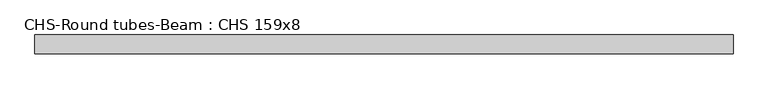
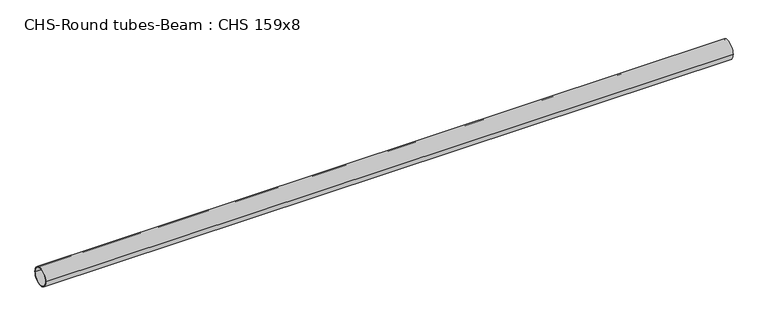
"""IFC4 building model written with IfcOpenShell, lengths in millimetres: beam geometry, CHS-Round tubes-Beam : CHS 159x8."""

from ifc_helpers import new_model, si_unit, point, frame, origin, origin_2d, place, context, project, spatial, circle_curve, trimmed, segment, composite_curve, outline, extrude, source, transform, mapped, element, save


def chs_round_tubes_beam_chs_159x8_6e215bc9(model_context):
    return source(origin(), model_context, "Body", "SweptSolid", [
        extrude(outline(composite_curve([segment(trimmed(circle_curve(origin_2d(), 79.5), [point((79.5, 0.0))], [point((-79.5, 0.0))], False, "CARTESIAN"), True, "CONTINUOUS"), segment(trimmed(circle_curve(origin_2d(), 79.5), [point((-79.5, 0.0))], [point((79.5, 0.0))], False, "CARTESIAN"), True, "CONTINUOUS")], self_intersect=False), holes=[composite_curve([segment(trimmed(circle_curve(origin_2d(), 71.5), [point((71.5, 0.0))], [point((-71.5, 0.0))], True, "CARTESIAN"), True, "CONTINUOUS"), segment(trimmed(circle_curve(origin_2d(), 71.5), [point((-71.5, 0.0))], [point((71.5, 0.0))], True, "CARTESIAN"), True, "CONTINUOUS")], self_intersect=False)]), frame((-2942.4524995, 0.0, 0.0), z_axis=(1.0, 0.0, 0.0), x_axis=(0.0, 1.0, 0.0)), (0.0, 0.0, 1.0), 5870.9995947),
    ])


if __name__ == "__main__":
    model = new_model("IFC4")
    model_context = context("Model", 3, world=origin())
    ifc_project = project(units=[si_unit("LENGTHUNIT", "METRE", prefix="MILLI")], contexts=[model_context])
    site = spatial("IfcSite", under=ifc_project)
    building = spatial("IfcBuilding", under=site)
    placement = place(None, origin())
    chs_round_tubes_beam_chs_159x8_shape = chs_round_tubes_beam_chs_159x8_6e215bc9(model_context)
    element("IfcBeam", 1, ObjectType="CHS-Round tubes-Beam : CHS 159x8", at=placement, inside=building, context=model_context, shape_type="MappedRepresentation", body=[
        mapped(chs_round_tubes_beam_chs_159x8_shape, transform((0.0, 0.0, 0.0), x_axis=(1.0, 0.0, 0.0), y_axis=(0.0, 1.0, 0.0), z_axis=(0.0, 0.0, 1.0))),
    ])
    save(model, "model.ifc")
